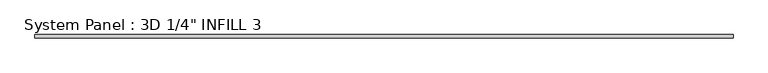
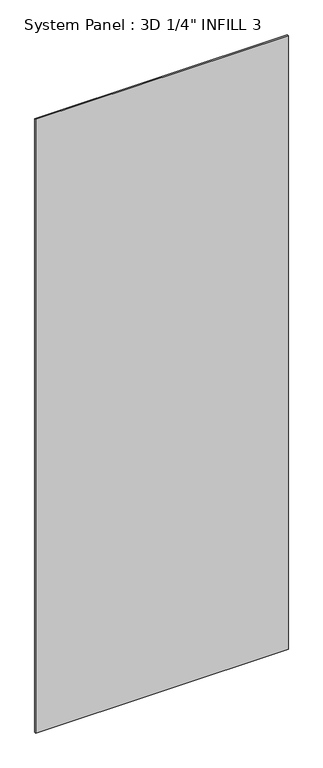
"""IFC4 building model written with IfcOpenShell, lengths in millimetres: plate geometry."""

import ifcopenshell
import ifcopenshell.guid

model = None  # the IFC model being written
_history = None  # IfcOwnerHistory: only IFC2X3 demands one
_inside = {}  # id of a spatial element -> (the spatial element, [elements in it])
_under = {}  # id of a project, library or spatial element -> (it, [spatial elements below it])
_declared = {}  # id of a project -> (the project, [libraries it declares])
_typed = {}  # id of a type object -> (the type object, [elements of that type])
_made_of = {}  # id of a material, layer set ... -> (it, [elements and type objects made of it])


def new_model(schema):
    """Start an empty IFC model of exactly this schema.

    Asked for "IFC4X3", IfcOpenShell would pick the latest addendum, in which some entities
    have other attributes; the version numbers below select the first issue.
    IFC2X3 requires an IfcOwnerHistory on every rooted entity: one is made here for all.
    """
    global model, _history
    if schema == "IFC4X3":
        model = ifcopenshell.file(schema_version=(4, 3, 0, 0))
    else:
        model = ifcopenshell.file(schema=schema)
    _inside.clear()
    _under.clear()
    _declared.clear()
    _typed.clear()
    _made_of.clear()
    _history = None
    if model.schema == "IFC2X3":
        org = make("IfcOrganization", Name="unknown")
        user = make(
            "IfcPersonAndOrganization",
            ThePerson=make("IfcPerson", FamilyName="unknown"),
            TheOrganization=org,
        )
        app = make(
            "IfcApplication",
            ApplicationDeveloper=org,
            Version="unknown",
            ApplicationFullName="unknown",
            ApplicationIdentifier="unknown",
        )
        _history = make(
            "IfcOwnerHistory",
            OwningUser=user,
            OwningApplication=app,
            ChangeAction="ADDED",
            CreationDate=0,
        )
    return model


def make(cls, **values):
    """One entity of the class cls with the attributes given. An attribute that is None is left unset."""
    return model.create_entity(
        cls, **{name: value for name, value in values.items() if value is not None}
    )


def rooted(cls, **values):
    """An entity with a GlobalId (a new one), such as an element, a storey or a relation."""
    return make(cls, GlobalId=ifcopenshell.guid.new(), OwnerHistory=_history, **values)


def si_unit(unit_type, name, prefix=None):
    """IfcSIUnit, for example si_unit("LENGTHUNIT", "METRE", prefix="MILLI")."""
    return make("IfcSIUnit", UnitType=unit_type, Prefix=prefix, Name=name)


def assignment(units):
    """IfcUnitAssignment: the units of a project."""
    return None if units is None else make("IfcUnitAssignment", Units=units)


def point(xyz):
    """IfcCartesianPoint."""
    return None if xyz is None else make("IfcCartesianPoint", Coordinates=xyz)


def direction(xyz):
    """IfcDirection."""
    return None if xyz is None else make("IfcDirection", DirectionRatios=xyz)


def frame(location, z_axis=None, x_axis=None):
    """IfcAxis2Placement3D, a coordinate frame: its origin and axes. An axis left out is left unset."""
    return make(
        "IfcAxis2Placement3D",
        Location=point(location),
        Axis=direction(z_axis),
        RefDirection=direction(x_axis),
    )


def origin():
    """The frame at (0, 0, 0) with its axes left unset."""
    return frame((0.0, 0.0, 0.0))


def origin_with_axes():
    """The frame at (0, 0, 0) with the z axis (0, 0, 1) and the x axis (1, 0, 0) written out."""
    return frame((0.0, 0.0, 0.0), z_axis=(0.0, 0.0, 1.0), x_axis=(1.0, 0.0, 0.0))


def place(relative_to, where):
    """IfcLocalPlacement: puts the frame where relative to a parent placement (None: the world)."""
    return make(
        "IfcLocalPlacement", PlacementRelTo=relative_to, RelativePlacement=where
    )


def context(
    kind, dimensions, precision=None, world=None, true_north=None, identifier=None
):
    """IfcGeometricRepresentationContext, for example the 3D "Model" context."""
    return make(
        "IfcGeometricRepresentationContext",
        ContextIdentifier=identifier,
        ContextType=kind,
        CoordinateSpaceDimension=dimensions,
        Precision=precision,
        WorldCoordinateSystem=world,
        TrueNorth=true_north,
    )


def project(units=None, contexts=None):
    """IfcProject with its units and contexts."""
    return rooted(
        "IfcProject",
        Name="project",
        RepresentationContexts=contexts,
        UnitsInContext=assignment(units),
    )


def spatial(cls, under=None, at=None, **own):
    """A site, building, storey or space (cls), placed at a placement, below another one or the project."""
    s = rooted(cls, ObjectPlacement=at, **own)
    if under is not None:
        _under.setdefault(under.id(), (under, []))[1].append(s)
    return s


def polyline(points):
    """IfcPolyline through the points."""
    return make("IfcPolyline", Points=[point(p) for p in points])


def outline(outer, holes=None, kind="AREA"):
    """IfcArbitraryClosedProfileDef: a profile drawn as a closed curve; with holes, ...WithVoids."""
    if holes is None:
        return make("IfcArbitraryClosedProfileDef", ProfileType=kind, OuterCurve=outer)
    return make(
        "IfcArbitraryProfileDefWithVoids",
        ProfileType=kind,
        OuterCurve=outer,
        InnerCurves=holes,
    )


def extrude(swept, where, along, depth):
    """IfcExtrudedAreaSolid: the profile swept, set in the frame where, extruded along a direction by depth."""
    return make(
        "IfcExtrudedAreaSolid",
        SweptArea=swept,
        Position=where,
        ExtrudedDirection=direction(along),
        Depth=depth,
    )


def shape(context_of_items, identifier, shape_type, items):
    """IfcShapeRepresentation: the items that make up one representation, for example the "Body"."""
    return make(
        "IfcShapeRepresentation",
        ContextOfItems=context_of_items,
        RepresentationIdentifier=identifier,
        RepresentationType=shape_type,
        Items=items,
    )


def source(mapping_origin, context_of_items, identifier, shape_type, items):
    """IfcRepresentationMap: a shape defined once, which mapped items show again and again."""
    return make(
        "IfcRepresentationMap",
        MappingOrigin=mapping_origin,
        MappedRepresentation=shape(context_of_items, identifier, shape_type, items),
    )


def transform(
    local_origin,
    x_axis=None,
    y_axis=None,
    z_axis=None,
    scale=None,
    scale2=None,
    scale3=None,
    uniform=True,
):
    """IfcCartesianTransformationOperator3D, or its non-uniform kind. x_axis, y_axis, z_axis: its Axis1, 2, 3."""
    if uniform:
        return make(
            "IfcCartesianTransformationOperator3D",
            Axis1=direction(x_axis),
            Axis2=direction(y_axis),
            LocalOrigin=point(local_origin),
            Scale=scale,
            Axis3=direction(z_axis),
        )
    return make(
        "IfcCartesianTransformationOperator3DnonUniform",
        Axis1=direction(x_axis),
        Axis2=direction(y_axis),
        LocalOrigin=point(local_origin),
        Scale=scale,
        Axis3=direction(z_axis),
        Scale2=scale2,
        Scale3=scale3,
    )


def mapped(mapping_source, mapping_target):
    """IfcMappedItem: shows the shape of a source again, moved by a transform."""
    return make(
        "IfcMappedItem", MappingSource=mapping_source, MappingTarget=mapping_target
    )


def made_of(thing, what):
    """Note that an element or type object is made of a material, layer set ...; save() writes the relation."""
    if what is not None:
        _made_of.setdefault(what.id(), (what, []))[1].append(thing)
    return thing


def element(
    cls,
    number,
    at=None,
    inside=None,
    cuts=None,
    type_object=None,
    material=None,
    context=None,
    identifier="Body",
    shape_type=None,
    held_by="IfcProductDefinitionShape",
    body=None,
    shapes=None,
    **own,
):
    """One element of the class cls, such as IfcWall. Its Tag is "e" and its number.

    at: its placement. inside: the storey or other place that contains it. cuts: it is an
    opening in that element (IfcRelVoidsElement). A single representation is given by context,
    identifier, shape_type and body (its items); several are given by shapes. held_by: the class
    of the entity that holds the representations. save() writes the other relations.
    """
    e = rooted(cls, Tag="e%d" % number, ObjectPlacement=at, **own)
    if body is not None:
        shapes = [shape(context, identifier, shape_type, body)]
    if shapes is not None:
        e.Representation = make(held_by, Representations=shapes)
    if inside is not None:
        _inside.setdefault(inside.id(), (inside, []))[1].append(e)
    if cuts is not None:
        rooted(
            "IfcRelVoidsElement", RelatingBuildingElement=cuts, RelatedOpeningElement=e
        )
    if type_object is not None:
        _typed.setdefault(type_object.id(), (type_object, []))[1].append(e)
    return made_of(e, material)


def aggregate(whole, parts):
    """IfcRelAggregates: a whole, such as a stair, and the parts it consists of."""
    return rooted("IfcRelAggregates", RelatingObject=whole, RelatedObjects=parts)


def save(model, path):
    """Write the relations noted so far, then the file.

    IfcRelAggregates (storeys below a building ...), IfcRelContainedInSpatialStructure (elements
    in a storey), IfcRelDefinesByType, IfcRelAssociatesMaterial and IfcRelDeclares: one each for
    every whole, place, type object, material and project.
    """
    for whole, parts in _under.values():
        aggregate(whole, parts)
    for where, things in _inside.values():
        rooted(
            "IfcRelContainedInSpatialStructure",
            RelatedElements=things,
            RelatingStructure=where,
        )
    for kind, things in _typed.values():
        rooted("IfcRelDefinesByType", RelatedObjects=things, RelatingType=kind)
    for what, things in _made_of.values():
        rooted("IfcRelAssociatesMaterial", RelatedObjects=things, RelatingMaterial=what)
    for by, libraries in _declared.values():
        rooted("IfcRelDeclares", RelatingContext=by, RelatedDefinitions=libraries)
    model.write(path)


def plate_ccab2930(model_context):
    return source(origin(), model_context, "Body", "SweptSolid", [
        extrude(outline(polyline([(688.288337, -0.0992187), (-688.288337, -0.0992187), (-688.288337, 6.2507813), (688.288337, 6.2507813), (688.288337, -0.0992187)])), origin_with_axes(), (0.0, 0.0, 1.0), 3530.6),
    ])


if __name__ == "__main__":
    model = new_model("IFC4")
    model_context = context("Model", 3, world=origin())
    ifc_project = project(units=[si_unit("LENGTHUNIT", "METRE", prefix="MILLI")], contexts=[model_context])
    site = spatial("IfcSite", under=ifc_project)
    building = spatial("IfcBuilding", under=site)
    placement = place(None, origin())
    plate_shape = plate_ccab2930(model_context)
    element("IfcPlate", 1, ObjectType="System Panel : 3D 1/4\" INFILL 3", at=placement, inside=building, context=model_context, shape_type="MappedRepresentation", body=[
        mapped(plate_shape, transform((0.0, 0.0, 0.0), x_axis=(1.0, 0.0, 0.0), y_axis=(0.0, 1.0, 0.0), z_axis=(0.0, 0.0, 1.0))),
    ])
    save(model, "model.ifc")
